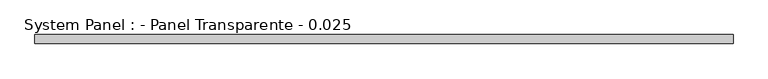
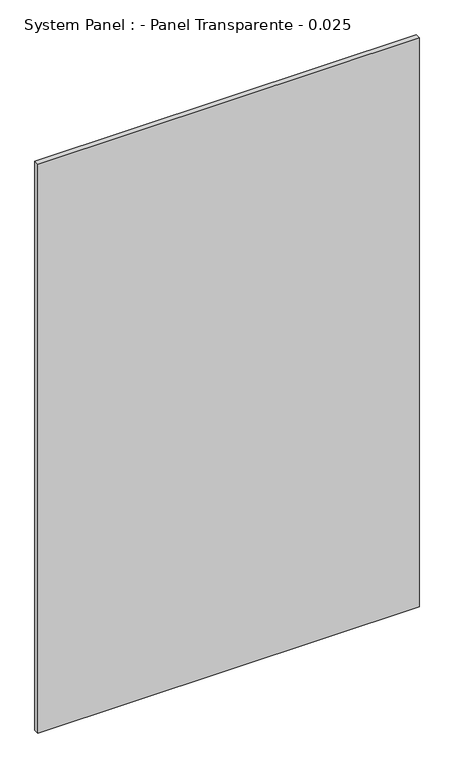
"""IFC4 building model written with IfcOpenShell, lengths in millimetres: plate geometry, System Panel : - Panel Transparente - 0.025."""

import ifcopenshell
import ifcopenshell.guid

model = None  # the IFC model being written
_history = None  # IfcOwnerHistory: only IFC2X3 demands one
_inside = {}  # id of a spatial element -> (the spatial element, [elements in it])
_under = {}  # id of a project, library or spatial element -> (it, [spatial elements below it])
_declared = {}  # id of a project -> (the project, [libraries it declares])
_typed = {}  # id of a type object -> (the type object, [elements of that type])
_made_of = {}  # id of a material, layer set ... -> (it, [elements and type objects made of it])


def new_model(schema):
    """Start an empty IFC model of exactly this schema.

    Asked for "IFC4X3", IfcOpenShell would pick the latest addendum, in which some entities
    have other attributes; the version numbers below select the first issue.
    IFC2X3 requires an IfcOwnerHistory on every rooted entity: one is made here for all.
    """
    global model, _history
    if schema == "IFC4X3":
        model = ifcopenshell.file(schema_version=(4, 3, 0, 0))
    else:
        model = ifcopenshell.file(schema=schema)
    _inside.clear()
    _under.clear()
    _declared.clear()
    _typed.clear()
    _made_of.clear()
    _history = None
    if model.schema == "IFC2X3":
        org = make("IfcOrganization", Name="unknown")
        user = make(
            "IfcPersonAndOrganization",
            ThePerson=make("IfcPerson", FamilyName="unknown"),
            TheOrganization=org,
        )
        app = make(
            "IfcApplication",
            ApplicationDeveloper=org,
            Version="unknown",
            ApplicationFullName="unknown",
            ApplicationIdentifier="unknown",
        )
        _history = make(
            "IfcOwnerHistory",
            OwningUser=user,
            OwningApplication=app,
            ChangeAction="ADDED",
            CreationDate=0,
        )
    return model


def make(cls, **values):
    """One entity of the class cls with the attributes given. An attribute that is None is left unset."""
    return model.create_entity(
        cls, **{name: value for name, value in values.items() if value is not None}
    )


def rooted(cls, **values):
    """An entity with a GlobalId (a new one), such as an element, a storey or a relation."""
    return make(cls, GlobalId=ifcopenshell.guid.new(), OwnerHistory=_history, **values)


def si_unit(unit_type, name, prefix=None):
    """IfcSIUnit, for example si_unit("LENGTHUNIT", "METRE", prefix="MILLI")."""
    return make("IfcSIUnit", UnitType=unit_type, Prefix=prefix, Name=name)


def assignment(units):
    """IfcUnitAssignment: the units of a project."""
    return None if units is None else make("IfcUnitAssignment", Units=units)


def point(xyz):
    """IfcCartesianPoint."""
    return None if xyz is None else make("IfcCartesianPoint", Coordinates=xyz)


def direction(xyz):
    """IfcDirection."""
    return None if xyz is None else make("IfcDirection", DirectionRatios=xyz)


def frame(location, z_axis=None, x_axis=None):
    """IfcAxis2Placement3D, a coordinate frame: its origin and axes. An axis left out is left unset."""
    return make(
        "IfcAxis2Placement3D",
        Location=point(location),
        Axis=direction(z_axis),
        RefDirection=direction(x_axis),
    )


def origin():
    """The frame at (0, 0, 0) with its axes left unset."""
    return frame((0.0, 0.0, 0.0))


def origin_with_axes():
    """The frame at (0, 0, 0) with the z axis (0, 0, 1) and the x axis (1, 0, 0) written out."""
    return frame((0.0, 0.0, 0.0), z_axis=(0.0, 0.0, 1.0), x_axis=(1.0, 0.0, 0.0))


def place(relative_to, where):
    """IfcLocalPlacement: puts the frame where relative to a parent placement (None: the world)."""
    return make(
        "IfcLocalPlacement", PlacementRelTo=relative_to, RelativePlacement=where
    )


def context(
    kind, dimensions, precision=None, world=None, true_north=None, identifier=None
):
    """IfcGeometricRepresentationContext, for example the 3D "Model" context."""
    return make(
        "IfcGeometricRepresentationContext",
        ContextIdentifier=identifier,
        ContextType=kind,
        CoordinateSpaceDimension=dimensions,
        Precision=precision,
        WorldCoordinateSystem=world,
        TrueNorth=true_north,
    )


def project(units=None, contexts=None):
    """IfcProject with its units and contexts."""
    return rooted(
        "IfcProject",
        Name="project",
        RepresentationContexts=contexts,
        UnitsInContext=assignment(units),
    )


def spatial(cls, under=None, at=None, **own):
    """A site, building, storey or space (cls), placed at a placement, below another one or the project."""
    s = rooted(cls, ObjectPlacement=at, **own)
    if under is not None:
        _under.setdefault(under.id(), (under, []))[1].append(s)
    return s


def polyline(points):
    """IfcPolyline through the points."""
    return make("IfcPolyline", Points=[point(p) for p in points])


def outline(outer, holes=None, kind="AREA"):
    """IfcArbitraryClosedProfileDef: a profile drawn as a closed curve; with holes, ...WithVoids."""
    if holes is None:
        return make("IfcArbitraryClosedProfileDef", ProfileType=kind, OuterCurve=outer)
    return make(
        "IfcArbitraryProfileDefWithVoids",
        ProfileType=kind,
        OuterCurve=outer,
        InnerCurves=holes,
    )


def extrude(swept, where, along, depth):
    """IfcExtrudedAreaSolid: the profile swept, set in the frame where, extruded along a direction by depth."""
    return make(
        "IfcExtrudedAreaSolid",
        SweptArea=swept,
        Position=where,
        ExtrudedDirection=direction(along),
        Depth=depth,
    )


def shape(context_of_items, identifier, shape_type, items):
    """IfcShapeRepresentation: the items that make up one representation, for example the "Body"."""
    return make(
        "IfcShapeRepresentation",
        ContextOfItems=context_of_items,
        RepresentationIdentifier=identifier,
        RepresentationType=shape_type,
        Items=items,
    )


def source(mapping_origin, context_of_items, identifier, shape_type, items):
    """IfcRepresentationMap: a shape defined once, which mapped items show again and again."""
    return make(
        "IfcRepresentationMap",
        MappingOrigin=mapping_origin,
        MappedRepresentation=shape(context_of_items, identifier, shape_type, items),
    )


def transform(
    local_origin,
    x_axis=None,
    y_axis=None,
    z_axis=None,
    scale=None,
    scale2=None,
    scale3=None,
    uniform=True,
):
    """IfcCartesianTransformationOperator3D, or its non-uniform kind. x_axis, y_axis, z_axis: its Axis1, 2, 3."""
    if uniform:
        return make(
            "IfcCartesianTransformationOperator3D",
            Axis1=direction(x_axis),
            Axis2=direction(y_axis),
            LocalOrigin=point(local_origin),
            Scale=scale,
            Axis3=direction(z_axis),
        )
    return make(
        "IfcCartesianTransformationOperator3DnonUniform",
        Axis1=direction(x_axis),
        Axis2=direction(y_axis),
        LocalOrigin=point(local_origin),
        Scale=scale,
        Axis3=direction(z_axis),
        Scale2=scale2,
        Scale3=scale3,
    )


def mapped(mapping_source, mapping_target):
    """IfcMappedItem: shows the shape of a source again, moved by a transform."""
    return make(
        "IfcMappedItem", MappingSource=mapping_source, MappingTarget=mapping_target
    )


def made_of(thing, what):
    """Note that an element or type object is made of a material, layer set ...; save() writes the relation."""
    if what is not None:
        _made_of.setdefault(what.id(), (what, []))[1].append(thing)
    return thing


def element(
    cls,
    number,
    at=None,
    inside=None,
    cuts=None,
    type_object=None,
    material=None,
    context=None,
    identifier="Body",
    shape_type=None,
    held_by="IfcProductDefinitionShape",
    body=None,
    shapes=None,
    **own,
):
    """One element of the class cls, such as IfcWall. Its Tag is "e" and its number.

    at: its placement. inside: the storey or other place that contains it. cuts: it is an
    opening in that element (IfcRelVoidsElement). A single representation is given by context,
    identifier, shape_type and body (its items); several are given by shapes. held_by: the class
    of the entity that holds the representations. save() writes the other relations.
    """
    e = rooted(cls, Tag="e%d" % number, ObjectPlacement=at, **own)
    if body is not None:
        shapes = [shape(context, identifier, shape_type, body)]
    if shapes is not None:
        e.Representation = make(held_by, Representations=shapes)
    if inside is not None:
        _inside.setdefault(inside.id(), (inside, []))[1].append(e)
    if cuts is not None:
        rooted(
            "IfcRelVoidsElement", RelatingBuildingElement=cuts, RelatedOpeningElement=e
        )
    if type_object is not None:
        _typed.setdefault(type_object.id(), (type_object, []))[1].append(e)
    return made_of(e, material)


def aggregate(whole, parts):
    """IfcRelAggregates: a whole, such as a stair, and the parts it consists of."""
    return rooted("IfcRelAggregates", RelatingObject=whole, RelatedObjects=parts)


def save(model, path):
    """Write the relations noted so far, then the file.

    IfcRelAggregates (storeys below a building ...), IfcRelContainedInSpatialStructure (elements
    in a storey), IfcRelDefinesByType, IfcRelAssociatesMaterial and IfcRelDeclares: one each for
    every whole, place, type object, material and project.
    """
    for whole, parts in _under.values():
        aggregate(whole, parts)
    for where, things in _inside.values():
        rooted(
            "IfcRelContainedInSpatialStructure",
            RelatedElements=things,
            RelatingStructure=where,
        )
    for kind, things in _typed.values():
        rooted("IfcRelDefinesByType", RelatedObjects=things, RelatingType=kind)
    for what, things in _made_of.values():
        rooted("IfcRelAssociatesMaterial", RelatedObjects=things, RelatingMaterial=what)
    for by, libraries in _declared.values():
        rooted("IfcRelDeclares", RelatingContext=by, RelatedDefinitions=libraries)
    model.write(path)


def system_panel_panel_transparente_0_025_0909d0c0(model_context):
    return source(origin(), model_context, "Body", "SweptSolid", [
        extrude(outline(polyline([(960.0, -37.5), (-960.0, -37.5), (-960.0, -12.5), (960.0, -12.5), (960.0, -37.5)])), origin_with_axes(), (0.0, 0.0, 1.0), 3030.0),
    ])


if __name__ == "__main__":
    model = new_model("IFC4")
    model_context = context("Model", 3, world=origin())
    ifc_project = project(units=[si_unit("LENGTHUNIT", "METRE", prefix="MILLI")], contexts=[model_context])
    site = spatial("IfcSite", under=ifc_project)
    building = spatial("IfcBuilding", under=site)
    placement = place(None, origin())
    system_panel_panel_transparente_0_025_shape = system_panel_panel_transparente_0_025_0909d0c0(model_context)
    element("IfcPlate", 1, ObjectType="System Panel : - Panel Transparente - 0.025", at=placement, inside=building, context=model_context, shape_type="MappedRepresentation", body=[
        mapped(system_panel_panel_transparente_0_025_shape, transform((0.0, 0.0, 0.0), x_axis=(1.0, 0.0, 0.0), y_axis=(0.0, 1.0, 0.0), z_axis=(0.0, 0.0, 1.0))),
    ])
    save(model, "model.ifc")
